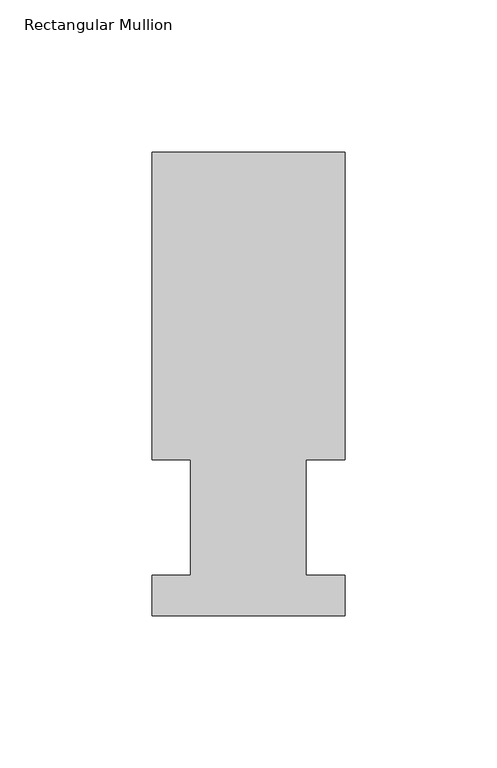
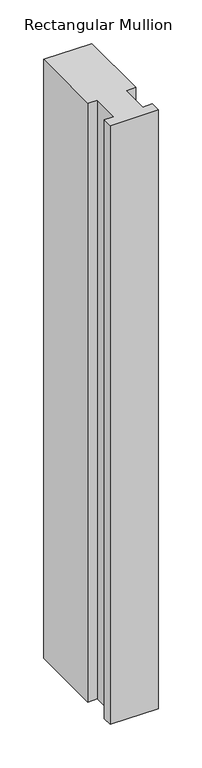
"""IFC4 building model written with IfcOpenShell, lengths in millimetres: member geometry, Rectangular Mullion."""

from ifc_helpers import new_model, si_unit, frame, origin, place, context, project, spatial, polyline, outline, extrude, source, transform, mapped, element, save


def rectangular_mullion_0bcedd8f(model_context):
    return source(origin(), model_context, "Body", "SweptSolid", [
        extrude(outline(polyline([(31.75, 152.4896938), (31.75, 51.2960938), (19.05, 51.2960938), (19.05, 13.1960938), (31.75, 13.1960938), (31.75, 0.0134938), (-31.75, 0.0134938), (-31.75, 13.1960938), (-19.05, 13.1960938), (-19.05, 51.2960938), (-31.75, 51.2960938), (-31.75, 152.4896938), (31.75, 152.4896938)])), frame((0.0, 0.0, -838.2), z_axis=(0.0, 0.0, 1.0), x_axis=(1.0, 0.0, 0.0)), (0.0, 0.0, 1.0), 838.2),
    ])


if __name__ == "__main__":
    model = new_model("IFC4")
    model_context = context("Model", 3, world=origin())
    ifc_project = project(units=[si_unit("LENGTHUNIT", "METRE", prefix="MILLI")], contexts=[model_context])
    site = spatial("IfcSite", under=ifc_project)
    building = spatial("IfcBuilding", under=site)
    placement = place(None, origin())
    rectangular_mullion_shape = rectangular_mullion_0bcedd8f(model_context)
    element("IfcMember", 1, ObjectType="Rectangular Mullion", at=placement, inside=building, context=model_context, shape_type="MappedRepresentation", body=[
        mapped(rectangular_mullion_shape, transform((0.0, 0.0, 0.0), x_axis=(1.0, 0.0, 0.0), y_axis=(0.0, 1.0, 0.0), z_axis=(0.0, 0.0, 1.0))),
    ])
    save(model, "model.ifc")
